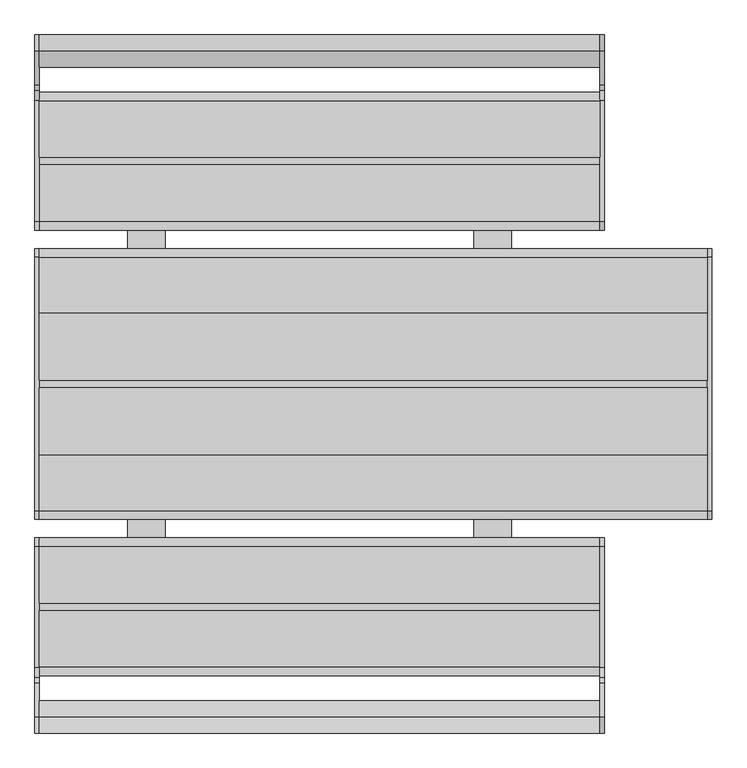
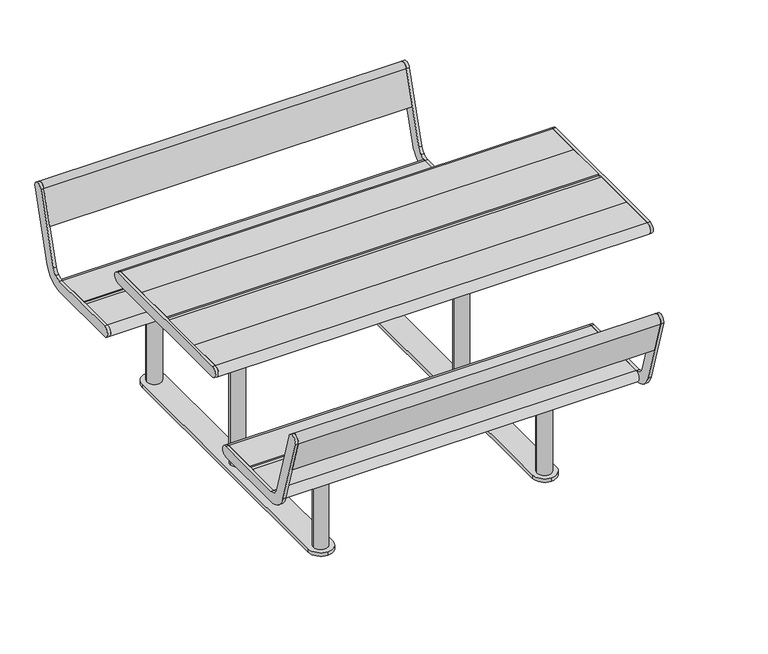
"""IFC4 building model written with IfcOpenShell, lengths in millimetres: furniture geometry."""

from ifc_helpers import new_model, si_unit, point, frame, frame_2d, origin, origin_with_axes, place, context, project, spatial, polyline, circle_curve, trimmed, segment, composite_curve, outline, extrude, source, transform, mapped, element, save


def furniture_09a5e4e3(model_context):
    return source(origin(), model_context, "Body", "SweptSolid", [
        extrude(outline(composite_curve([segment(polyline([(602.0, 449.7), (752.4998424, 449.7)]), True, "CONTINUOUS"), segment(trimmed(circle_curve(frame_2d((752.4998424, 427.2)), 22.5), [point((752.4998424, 449.7))], [point((752.4998424, 404.7))], False, "CARTESIAN"), True, "CONTINUOUS"), segment(polyline([(752.4998424, 404.7), (602.0, 404.7), (602.0, 449.7)]), True, "CONTINUOUS")], self_intersect=False)), frame((-745.0, 0.0, 0.0), z_axis=(1.0, 0.0, 0.0), x_axis=(0.0, 1.0, 0.0)), (0.0, 0.0, 1.0), 1490.0),
        extrude(outline(composite_curve([segment(polyline([(795.4837914, 481.5432734), (883.593709, 769.7378243)]), True, "CONTINUOUS"), segment(trimmed(circle_curve(frame_2d((905.1105656, 763.159461)), 22.4999996), [point((883.593709, 769.7378243))], [point((926.6274222, 756.5810977))], False, "CARTESIAN"), True, "CONTINUOUS"), segment(polyline([(926.6274222, 756.5810977), (838.5175055, 468.3865468)]), True, "CONTINUOUS"), segment(trimmed(circle_curve(frame_2d((752.4500772, 494.7000004)), 90.0000004), [point((838.5175055, 468.3865468))], [point((805.5692669, 422.0477344))], False, "CARTESIAN"), True, "CONTINUOUS"), segment(trimmed(circle_curve(frame_2d((752.4500772, 494.7000004)), 90.0000004), [point((805.5692669, 422.0477344))], [point((752.4500772, 404.7))], False, "CARTESIAN"), True, "CONTINUOUS"), segment(polyline([(752.4500772, 404.7), (431.5000002, 404.7)]), True, "CONTINUOUS"), segment(trimmed(circle_curve(frame_2d((431.5000002, 427.2000002)), 22.5000002), [point((431.5000002, 404.7))], [point((431.5037545, 449.7000001))], False, "CARTESIAN"), True, "CONTINUOUS"), segment(polyline([(431.5037545, 449.7000001), (752.4500772, 449.7000001)]), True, "CONTINUOUS"), segment(trimmed(circle_curve(frame_2d((752.4500772, 494.7000004)), 45.0000003), [point((752.4500772, 449.7000001))], [point((779.0096721, 458.3738673))], True, "CARTESIAN"), True, "CONTINUOUS"), segment(trimmed(circle_curve(frame_2d((752.4500772, 494.7000004)), 45.0000003), [point((779.0096721, 458.3738673))], [point((795.4837914, 481.5432734))], True, "CARTESIAN"), True, "CONTINUOUS")], self_intersect=False)), frame((745.0, 0.0, 0.0), z_axis=(1.0, 0.0, 0.0), x_axis=(0.0, 1.0, 0.0)), (0.0, 0.0, 1.0), 12.0),
        extrude(outline(composite_curve([segment(polyline([(884.0857959, 617.4337085), (841.052082, 630.5904353), (883.5974263, 769.7499847)]), True, "CONTINUOUS"), segment(trimmed(circle_curve(frame_2d((905.1142833, 763.1716212)), 22.5), [point((883.5974263, 769.7499847))], [point((926.6311403, 756.5932578))], False, "CARTESIAN"), True, "CONTINUOUS"), segment(polyline([(926.6311403, 756.5932578), (884.0857959, 617.4337085)]), True, "CONTINUOUS")], self_intersect=False)), frame((-745.0, 0.0, 0.0), z_axis=(1.0, 0.0, 0.0), x_axis=(0.0, 1.0, 0.0)), (0.0, 0.0, 1.0), 1490.0),
        extrude(outline(composite_curve([segment(polyline([(795.4837914, 481.5432734), (883.593709, 769.7378243)]), True, "CONTINUOUS"), segment(trimmed(circle_curve(frame_2d((905.1105656, 763.159461)), 22.4999996), [point((883.593709, 769.7378243))], [point((926.6274222, 756.5810977))], False, "CARTESIAN"), True, "CONTINUOUS"), segment(polyline([(926.6274222, 756.5810977), (838.5175055, 468.3865468)]), True, "CONTINUOUS"), segment(trimmed(circle_curve(frame_2d((752.4500772, 494.7000004)), 90.0000004), [point((838.5175055, 468.3865468))], [point((805.5692669, 422.0477344))], False, "CARTESIAN"), True, "CONTINUOUS"), segment(trimmed(circle_curve(frame_2d((752.4500772, 494.7000004)), 90.0000004), [point((805.5692669, 422.0477344))], [point((752.4500772, 404.7))], False, "CARTESIAN"), True, "CONTINUOUS"), segment(polyline([(752.4500772, 404.7), (431.5000002, 404.7)]), True, "CONTINUOUS"), segment(trimmed(circle_curve(frame_2d((431.5000002, 427.2000002)), 22.5000002), [point((431.5000002, 404.7))], [point((431.5037545, 449.7000001))], False, "CARTESIAN"), True, "CONTINUOUS"), segment(polyline([(431.5037545, 449.7000001), (752.4500772, 449.7000001)]), True, "CONTINUOUS"), segment(trimmed(circle_curve(frame_2d((752.4500772, 494.7000004)), 45.0000003), [point((752.4500772, 449.7000001))], [point((779.0096721, 458.3738673))], True, "CARTESIAN"), True, "CONTINUOUS"), segment(trimmed(circle_curve(frame_2d((752.4500772, 494.7000004)), 45.0000003), [point((779.0096721, 458.3738673))], [point((795.4837914, 481.5432734))], True, "CARTESIAN"), True, "CONTINUOUS")], self_intersect=False)), frame((-757.0, 0.0, 0.0), z_axis=(1.0, 0.0, 0.0), x_axis=(0.0, 1.0, 0.0)), (0.0, 0.0, 1.0), 12.0),
        extrude(outline(composite_curve([segment(trimmed(circle_curve(frame_2d((-752.4500772, 494.7000004)), 45.0000003), [point((-795.4837914, 481.5432734))], [point((-779.0096721, 458.3738673))], True, "CARTESIAN"), True, "CONTINUOUS"), segment(trimmed(circle_curve(frame_2d((-752.4500772, 494.7000004)), 45.0000003), [point((-779.0096721, 458.3738673))], [point((-752.4500772, 449.7000001))], True, "CARTESIAN"), True, "CONTINUOUS"), segment(polyline([(-752.4500772, 449.7000001), (-431.5037545, 449.7000001)]), True, "CONTINUOUS"), segment(trimmed(circle_curve(frame_2d((-431.5000002, 427.2000002)), 22.5000002), [point((-431.5037545, 449.7000001))], [point((-431.5000002, 404.7))], False, "CARTESIAN"), True, "CONTINUOUS"), segment(polyline([(-431.5000002, 404.7), (-752.4500772, 404.7)]), True, "CONTINUOUS"), segment(trimmed(circle_curve(frame_2d((-752.4500772, 494.7000004)), 90.0000004), [point((-752.4500772, 404.7))], [point((-805.5692669, 422.0477344))], False, "CARTESIAN"), True, "CONTINUOUS"), segment(trimmed(circle_curve(frame_2d((-752.4500772, 494.7000004)), 90.0000004), [point((-805.5692669, 422.0477344))], [point((-838.5175055, 468.3865468))], False, "CARTESIAN"), True, "CONTINUOUS"), segment(polyline([(-838.5175055, 468.3865468), (-926.6274222, 756.5810977)]), True, "CONTINUOUS"), segment(trimmed(circle_curve(frame_2d((-905.1105656, 763.159461)), 22.4999996), [point((-926.6274222, 756.5810977))], [point((-883.593709, 769.7378243))], False, "CARTESIAN"), True, "CONTINUOUS"), segment(polyline([(-883.593709, 769.7378243), (-795.4837914, 481.5432734)]), True, "CONTINUOUS")], self_intersect=False)), frame((745.0, 0.0, 0.0), z_axis=(1.0, 0.0, 0.0), x_axis=(0.0, 1.0, 0.0)), (0.0, 0.0, 1.0), 12.0),
        extrude(outline(composite_curve([segment(polyline([(-884.0857959, 617.4337085), (-926.6311403, 756.5932578)]), True, "CONTINUOUS"), segment(trimmed(circle_curve(frame_2d((-905.1142833, 763.1716212)), 22.5), [point((-926.6311403, 756.5932578))], [point((-883.5974263, 769.7499847))], False, "CARTESIAN"), True, "CONTINUOUS"), segment(polyline([(-883.5974263, 769.7499847), (-841.052082, 630.5904353), (-884.0857959, 617.4337085)]), True, "CONTINUOUS")], self_intersect=False)), frame((-745.0, 0.0, 0.0), z_axis=(1.0, 0.0, 0.0), x_axis=(0.0, 1.0, 0.0)), (0.0, 0.0, 1.0), 1490.0),
        extrude(outline(composite_curve([segment(polyline([(-582.0, 449.7), (-431.5001576, 449.7)]), True, "CONTINUOUS"), segment(trimmed(circle_curve(frame_2d((-431.5001576, 427.2)), 22.5), [point((-431.5001576, 449.7))], [point((-431.5001576, 404.7))], False, "CARTESIAN"), True, "CONTINUOUS"), segment(polyline([(-431.5001576, 404.7), (-582.0, 404.7), (-582.0, 449.7)]), True, "CONTINUOUS")], self_intersect=False)), frame((-745.0, 0.0, 0.0), z_axis=(1.0, 0.0, 0.0), x_axis=(0.0, 1.0, 0.0)), (0.0, 0.0, 1.0), 1490.0),
        extrude(outline(composite_curve([segment(polyline([(-602.0, 449.7), (-602.0, 404.7), (-752.4998424, 404.7)]), True, "CONTINUOUS"), segment(trimmed(circle_curve(frame_2d((-752.4998424, 427.2)), 22.5), [point((-752.4998424, 404.7))], [point((-752.4998424, 449.7))], False, "CARTESIAN"), True, "CONTINUOUS"), segment(polyline([(-752.4998424, 449.7), (-602.0, 449.7)]), True, "CONTINUOUS")], self_intersect=False)), frame((-745.0, 0.0, 0.0), z_axis=(1.0, 0.0, 0.0), x_axis=(0.0, 1.0, 0.0)), (0.0, 0.0, 1.0), 1490.0),
        extrude(outline(polyline([(745.0, -582.0), (745.0, -602.0), (-745.0, -602.0), (-745.0, -582.0), (745.0, -582.0)])), frame((0.0, 0.0, 404.7), z_axis=(0.0, 0.0, 1.0), x_axis=(1.0, 0.0, 0.0)), (0.0, 0.0, 1.0), 40.0),
        extrude(outline(composite_curve([segment(trimmed(circle_curve(frame_2d((-752.4500772, 494.7000004)), 45.0000003), [point((-795.4837914, 481.5432734))], [point((-779.0096721, 458.3738673))], True, "CARTESIAN"), True, "CONTINUOUS"), segment(trimmed(circle_curve(frame_2d((-752.4500772, 494.7000004)), 45.0000003), [point((-779.0096721, 458.3738673))], [point((-752.4500772, 449.7000001))], True, "CARTESIAN"), True, "CONTINUOUS"), segment(polyline([(-752.4500772, 449.7000001), (-431.5037545, 449.7000001)]), True, "CONTINUOUS"), segment(trimmed(circle_curve(frame_2d((-431.5000002, 427.2000002)), 22.5000002), [point((-431.5037545, 449.7000001))], [point((-431.5000002, 404.7))], False, "CARTESIAN"), True, "CONTINUOUS"), segment(polyline([(-431.5000002, 404.7), (-752.4500772, 404.7)]), True, "CONTINUOUS"), segment(trimmed(circle_curve(frame_2d((-752.4500772, 494.7000004)), 90.0000004), [point((-752.4500772, 404.7))], [point((-805.5692669, 422.0477344))], False, "CARTESIAN"), True, "CONTINUOUS"), segment(trimmed(circle_curve(frame_2d((-752.4500772, 494.7000004)), 90.0000004), [point((-805.5692669, 422.0477344))], [point((-838.5175055, 468.3865468))], False, "CARTESIAN"), True, "CONTINUOUS"), segment(polyline([(-838.5175055, 468.3865468), (-926.6274222, 756.5810977)]), True, "CONTINUOUS"), segment(trimmed(circle_curve(frame_2d((-905.1105656, 763.159461)), 22.4999996), [point((-926.6274222, 756.5810977))], [point((-883.593709, 769.7378243))], False, "CARTESIAN"), True, "CONTINUOUS"), segment(polyline([(-883.593709, 769.7378243), (-795.4837914, 481.5432734)]), True, "CONTINUOUS")], self_intersect=False)), frame((-757.0, 0.0, 0.0), z_axis=(1.0, 0.0, 0.0), x_axis=(0.0, 1.0, 0.0)), (0.0, 0.0, 1.0), 12.0),
        extrude(outline(composite_curve([segment(polyline([(582.0, 449.7), (582.0, 404.7), (431.5001576, 404.7)]), True, "CONTINUOUS"), segment(trimmed(circle_curve(frame_2d((431.5001576, 427.2)), 22.5), [point((431.5001576, 404.7))], [point((431.5001576, 449.7))], False, "CARTESIAN"), True, "CONTINUOUS"), segment(polyline([(431.5001576, 449.7), (582.0, 449.7)]), True, "CONTINUOUS")], self_intersect=False)), frame((-745.0, 0.0, 0.0), z_axis=(1.0, 0.0, 0.0), x_axis=(0.0, 1.0, 0.0)), (0.0, 0.0, 1.0), 1490.0),
        extrude(outline(polyline([(745.0, 602.0), (745.0, 582.0), (-745.0, 582.0), (-745.0, 602.0), (745.0, 602.0)])), frame((0.0, 0.0, 404.7), z_axis=(0.0, 0.0, 1.0), x_axis=(1.0, 0.0, 0.0)), (0.0, 0.0, 1.0), 40.0),
        extrude(outline(polyline([(1030.5, -10.0), (1030.5, -187.75), (-745.0, -187.75), (-745.0, -10.0), (1030.5, -10.0)])), frame((0.0, 0.0, 694.7), z_axis=(0.0, 0.0, 1.0), x_axis=(1.0, 0.0, 0.0)), (0.0, 0.0, 1.0), 45.0),
        extrude(outline(polyline([(1030.5, 187.75), (1030.5, 10.0), (-745.0, 10.0), (-745.0, 187.75), (1030.5, 187.75)])), frame((0.0, 0.0, 694.7), z_axis=(0.0, 0.0, 1.0), x_axis=(1.0, 0.0, 0.0)), (0.0, 0.0, 1.0), 45.0),
        extrude(outline(composite_curve([segment(polyline([(187.75, 739.7), (336.4998635, 739.7)]), True, "CONTINUOUS"), segment(trimmed(circle_curve(frame_2d((336.4998635, 717.2)), 22.5), [point((336.4998635, 739.7))], [point((336.4998635, 694.7))], False, "CARTESIAN"), True, "CONTINUOUS"), segment(polyline([(336.4998635, 694.7), (187.75, 694.7), (187.75, 739.7)]), True, "CONTINUOUS")], self_intersect=False)), frame((-745.0, 0.0, 0.0), z_axis=(1.0, 0.0, 0.0), x_axis=(0.0, 1.0, 0.0)), (0.0, 0.0, 1.0), 1775.5),
        extrude(outline(composite_curve([segment(polyline([(-187.75, 739.7), (-187.75, 694.7), (-336.4998635, 694.7)]), True, "CONTINUOUS"), segment(trimmed(circle_curve(frame_2d((-336.4998635, 717.2)), 22.5), [point((-336.4998635, 694.7))], [point((-336.4998635, 739.7))], False, "CARTESIAN"), True, "CONTINUOUS"), segment(polyline([(-336.4998635, 739.7), (-187.75, 739.7)]), True, "CONTINUOUS")], self_intersect=False)), frame((-745.0, 0.0, 0.0), z_axis=(1.0, 0.0, 0.0), x_axis=(0.0, 1.0, 0.0)), (0.0, 0.0, 1.0), 1775.5),
        extrude(outline(polyline([(1030.5, 10.0), (1030.5, -10.0), (-745.0, -10.0), (-745.0, 10.0), (1030.5, 10.0)])), frame((0.0, 0.0, 694.7), z_axis=(0.0, 0.0, 1.0), x_axis=(1.0, 0.0, 0.0)), (0.0, 0.0, 1.0), 40.0),
        extrude(outline(composite_curve([segment(trimmed(circle_curve(frame_2d((336.5, 717.2)), 22.5), [point((336.5, 739.7))], [point((336.5, 694.7))], False, "CARTESIAN"), True, "CONTINUOUS"), segment(polyline([(336.5, 694.7), (-336.5, 694.7)]), True, "CONTINUOUS"), segment(trimmed(circle_curve(frame_2d((-336.5, 717.2)), 22.5), [point((-336.5, 694.7))], [point((-336.5, 739.7))], False, "CARTESIAN"), True, "CONTINUOUS"), segment(polyline([(-336.5, 739.7), (336.5, 739.7)]), True, "CONTINUOUS")], self_intersect=False)), frame((1030.5, 0.0, 0.0), z_axis=(1.0, 0.0, 0.0), x_axis=(0.0, 1.0, 0.0)), (0.0, 0.0, 1.0), 12.0),
        extrude(outline(composite_curve([segment(trimmed(circle_curve(frame_2d((336.5, 717.2)), 22.5), [point((336.5, 739.7))], [point((336.5, 694.7))], False, "CARTESIAN"), True, "CONTINUOUS"), segment(polyline([(336.5, 694.7), (-336.5, 694.7)]), True, "CONTINUOUS"), segment(trimmed(circle_curve(frame_2d((-336.5, 717.2)), 22.5), [point((-336.5, 694.7))], [point((-336.5, 739.7))], False, "CARTESIAN"), True, "CONTINUOUS"), segment(polyline([(-336.5, 739.7), (336.5, 739.7)]), True, "CONTINUOUS")], self_intersect=False)), frame((-757.0, 0.0, 0.0), z_axis=(1.0, 0.0, 0.0), x_axis=(0.0, 1.0, 0.0)), (0.0, 0.0, 1.0), 12.0),
        extrude(outline(composite_curve([segment(trimmed(circle_curve(frame_2d((505.0, 120.0)), 5.0), [point((505.0, 125.0))], [point((510.0, 120.0))], False, "CARTESIAN"), True, "CONTINUOUS"), segment(polyline([(510.0, 120.0), (510.0, -120.0)]), True, "CONTINUOUS"), segment(trimmed(circle_curve(frame_2d((505.0, -120.0)), 5.0), [point((510.0, -120.0))], [point((505.0, -125.0))], False, "CARTESIAN"), True, "CONTINUOUS"), segment(polyline([(505.0, -125.0), (415.0, -125.0)]), True, "CONTINUOUS"), segment(trimmed(circle_curve(frame_2d((415.0, -120.0)), 5.0), [point((415.0, -125.0))], [point((410.0, -120.0))], False, "CARTESIAN"), True, "CONTINUOUS"), segment(polyline([(410.0, -120.0), (410.0, 120.0)]), True, "CONTINUOUS"), segment(trimmed(circle_curve(frame_2d((415.0, 120.0)), 5.0), [point((410.0, 120.0))], [point((415.0, 125.0))], False, "CARTESIAN"), True, "CONTINUOUS"), segment(polyline([(415.0, 125.0), (505.0, 125.0)]), True, "CONTINUOUS")], self_intersect=False)), frame((0.0, 0.0, 679.0), z_axis=(0.0, 0.0, 1.0), x_axis=(1.0, 0.0, 0.0)), (0.0, 0.0, 1.0), 7.85),
        extrude(outline(composite_curve([segment(trimmed(circle_curve(frame_2d((505.0, 295.0)), 5.0), [point((505.0, 300.0))], [point((510.0, 295.0))], False, "CARTESIAN"), True, "CONTINUOUS"), segment(polyline([(510.0, 295.0), (510.0, -295.0)]), True, "CONTINUOUS"), segment(trimmed(circle_curve(frame_2d((505.0, -295.0)), 5.0), [point((510.0, -295.0))], [point((505.0, -300.0))], False, "CARTESIAN"), True, "CONTINUOUS"), segment(polyline([(505.0, -300.0), (415.0, -300.0)]), True, "CONTINUOUS"), segment(trimmed(circle_curve(frame_2d((415.0, -295.0)), 5.0), [point((415.0, -300.0))], [point((410.0, -295.0))], False, "CARTESIAN"), True, "CONTINUOUS"), segment(polyline([(410.0, -295.0), (410.0, 295.0)]), True, "CONTINUOUS"), segment(trimmed(circle_curve(frame_2d((415.0, 295.0)), 5.0), [point((410.0, 295.0))], [point((415.0, 300.0))], False, "CARTESIAN"), True, "CONTINUOUS"), segment(polyline([(415.0, 300.0), (505.0, 300.0)]), True, "CONTINUOUS")], self_intersect=False)), frame((0.0, 0.0, 686.85), z_axis=(0.0, 0.0, 1.0), x_axis=(1.0, 0.0, 0.0)), (0.0, 0.0, 1.0), 7.85),
        extrude(outline(composite_curve([segment(polyline([(-505.0, 125.0), (-415.0, 125.0)]), True, "CONTINUOUS"), segment(trimmed(circle_curve(frame_2d((-415.0, 120.0)), 5.0), [point((-415.0, 125.0))], [point((-410.0, 120.0))], False, "CARTESIAN"), True, "CONTINUOUS"), segment(polyline([(-410.0, 120.0), (-410.0, -120.0)]), True, "CONTINUOUS"), segment(trimmed(circle_curve(frame_2d((-415.0, -120.0)), 5.0), [point((-410.0, -120.0))], [point((-415.0, -125.0))], False, "CARTESIAN"), True, "CONTINUOUS"), segment(polyline([(-415.0, -125.0), (-505.0, -125.0)]), True, "CONTINUOUS"), segment(trimmed(circle_curve(frame_2d((-505.0, -120.0)), 5.0), [point((-505.0, -125.0))], [point((-510.0, -120.0))], False, "CARTESIAN"), True, "CONTINUOUS"), segment(polyline([(-510.0, -120.0), (-510.0, 120.0)]), True, "CONTINUOUS"), segment(trimmed(circle_curve(frame_2d((-505.0, 120.0)), 5.0), [point((-510.0, 120.0))], [point((-505.0, 125.0))], False, "CARTESIAN"), True, "CONTINUOUS")], self_intersect=False)), frame((0.0, 0.0, 679.0), z_axis=(0.0, 0.0, 1.0), x_axis=(1.0, 0.0, 0.0)), (0.0, 0.0, 1.0), 7.85),
        extrude(outline(composite_curve([segment(polyline([(-505.0, 300.0), (-415.0, 300.0)]), True, "CONTINUOUS"), segment(trimmed(circle_curve(frame_2d((-415.0, 295.0)), 5.0), [point((-415.0, 300.0))], [point((-410.0, 295.0))], False, "CARTESIAN"), True, "CONTINUOUS"), segment(polyline([(-410.0, 295.0), (-410.0, -295.0)]), True, "CONTINUOUS"), segment(trimmed(circle_curve(frame_2d((-415.0, -295.0)), 5.0), [point((-410.0, -295.0))], [point((-415.0, -300.0))], False, "CARTESIAN"), True, "CONTINUOUS"), segment(polyline([(-415.0, -300.0), (-505.0, -300.0)]), True, "CONTINUOUS"), segment(trimmed(circle_curve(frame_2d((-505.0, -295.0)), 5.0), [point((-505.0, -300.0))], [point((-510.0, -295.0))], False, "CARTESIAN"), True, "CONTINUOUS"), segment(polyline([(-510.0, -295.0), (-510.0, 295.0)]), True, "CONTINUOUS"), segment(trimmed(circle_curve(frame_2d((-505.0, 295.0)), 5.0), [point((-510.0, 295.0))], [point((-505.0, 300.0))], False, "CARTESIAN"), True, "CONTINUOUS")], self_intersect=False)), frame((0.0, 0.0, 686.85), z_axis=(0.0, 0.0, 1.0), x_axis=(1.0, 0.0, 0.0)), (0.0, 0.0, 1.0), 7.85),
        extrude(outline(composite_curve([segment(polyline([(505.0, -717.0), (415.0, -717.0)]), True, "CONTINUOUS"), segment(trimmed(circle_curve(frame_2d((415.0, -712.0)), 5.0), [point((415.0, -717.0))], [point((410.0, -712.0))], False, "CARTESIAN"), True, "CONTINUOUS"), segment(polyline([(410.0, -712.0), (410.0, -472.0)]), True, "CONTINUOUS"), segment(trimmed(circle_curve(frame_2d((415.0, -472.0)), 5.0), [point((410.0, -472.0))], [point((415.0, -467.0))], False, "CARTESIAN"), True, "CONTINUOUS"), segment(polyline([(415.0, -467.0), (505.0, -467.0)]), True, "CONTINUOUS"), segment(trimmed(circle_curve(frame_2d((505.0, -472.0)), 5.0), [point((505.0, -467.0))], [point((510.0, -472.0))], False, "CARTESIAN"), True, "CONTINUOUS"), segment(polyline([(510.0, -472.0), (510.0, -712.0)]), True, "CONTINUOUS"), segment(trimmed(circle_curve(frame_2d((505.0, -712.0)), 5.0), [point((510.0, -712.0))], [point((505.0, -717.0))], False, "CARTESIAN"), True, "CONTINUOUS")], self_intersect=False)), frame((0.0, 0.0, 389.0), z_axis=(0.0, 0.0, 1.0), x_axis=(1.0, 0.0, 0.0)), (0.0, 0.0, 1.0), 15.7),
        extrude(outline(composite_curve([segment(trimmed(circle_curve(frame_2d((505.0, 712.0)), 5.0), [point((505.0, 717.0))], [point((510.0, 712.0))], False, "CARTESIAN"), True, "CONTINUOUS"), segment(polyline([(510.0, 712.0), (510.0, 472.0)]), True, "CONTINUOUS"), segment(trimmed(circle_curve(frame_2d((505.0, 472.0)), 5.0), [point((510.0, 472.0))], [point((505.0, 467.0))], False, "CARTESIAN"), True, "CONTINUOUS"), segment(polyline([(505.0, 467.0), (415.0, 467.0)]), True, "CONTINUOUS"), segment(trimmed(circle_curve(frame_2d((415.0, 472.0)), 5.0), [point((415.0, 467.0))], [point((410.0, 472.0))], False, "CARTESIAN"), True, "CONTINUOUS"), segment(polyline([(410.0, 472.0), (410.0, 712.0)]), True, "CONTINUOUS"), segment(trimmed(circle_curve(frame_2d((415.0, 712.0)), 5.0), [point((410.0, 712.0))], [point((415.0, 717.0))], False, "CARTESIAN"), True, "CONTINUOUS"), segment(polyline([(415.0, 717.0), (505.0, 717.0)]), True, "CONTINUOUS")], self_intersect=False)), frame((0.0, 0.0, 389.0), z_axis=(0.0, 0.0, 1.0), x_axis=(1.0, 0.0, 0.0)), (0.0, 0.0, 1.0), 15.7),
        extrude(outline(composite_curve([segment(trimmed(circle_curve(frame_2d((-505.0, -712.0)), 5.0), [point((-505.0, -717.0))], [point((-510.0, -712.0))], False, "CARTESIAN"), True, "CONTINUOUS"), segment(polyline([(-510.0, -712.0), (-510.0, -472.0)]), True, "CONTINUOUS"), segment(trimmed(circle_curve(frame_2d((-505.0, -472.0)), 5.0), [point((-510.0, -472.0))], [point((-505.0, -467.0))], False, "CARTESIAN"), True, "CONTINUOUS"), segment(polyline([(-505.0, -467.0), (-415.0, -467.0)]), True, "CONTINUOUS"), segment(trimmed(circle_curve(frame_2d((-415.0, -472.0)), 5.0), [point((-415.0, -467.0))], [point((-410.0, -472.0))], False, "CARTESIAN"), True, "CONTINUOUS"), segment(polyline([(-410.0, -472.0), (-410.0, -712.0)]), True, "CONTINUOUS"), segment(trimmed(circle_curve(frame_2d((-415.0, -712.0)), 5.0), [point((-410.0, -712.0))], [point((-415.0, -717.0))], False, "CARTESIAN"), True, "CONTINUOUS"), segment(polyline([(-415.0, -717.0), (-505.0, -717.0)]), True, "CONTINUOUS")], self_intersect=False)), frame((0.0, 0.0, 389.0), z_axis=(0.0, 0.0, 1.0), x_axis=(1.0, 0.0, 0.0)), (0.0, 0.0, 1.0), 15.7),
        extrude(outline(composite_curve([segment(polyline([(-505.0, 717.0), (-415.0, 717.0)]), True, "CONTINUOUS"), segment(trimmed(circle_curve(frame_2d((-415.0, 712.0)), 5.0), [point((-415.0, 717.0))], [point((-410.0, 712.0))], False, "CARTESIAN"), True, "CONTINUOUS"), segment(polyline([(-410.0, 712.0), (-410.0, 472.0)]), True, "CONTINUOUS"), segment(trimmed(circle_curve(frame_2d((-415.0, 472.0)), 5.0), [point((-410.0, 472.0))], [point((-415.0, 467.0))], False, "CARTESIAN"), True, "CONTINUOUS"), segment(polyline([(-415.0, 467.0), (-505.0, 467.0)]), True, "CONTINUOUS"), segment(trimmed(circle_curve(frame_2d((-505.0, 472.0)), 5.0), [point((-505.0, 467.0))], [point((-510.0, 472.0))], False, "CARTESIAN"), True, "CONTINUOUS"), segment(polyline([(-510.0, 472.0), (-510.0, 712.0)]), True, "CONTINUOUS"), segment(trimmed(circle_curve(frame_2d((-505.0, 712.0)), 5.0), [point((-510.0, 712.0))], [point((-505.0, 717.0))], False, "CARTESIAN"), True, "CONTINUOUS")], self_intersect=False)), frame((0.0, 0.0, 389.0), z_axis=(0.0, 0.0, 1.0), x_axis=(1.0, 0.0, 0.0)), (0.0, 0.0, 1.0), 15.7),
        extrude(outline(composite_curve([segment(trimmed(circle_curve(frame_2d((460.0, 0.0)), 30.0), [point((490.0, 0.0))], [point((430.0, 0.0))], False, "CARTESIAN"), True, "CONTINUOUS"), segment(trimmed(circle_curve(frame_2d((460.0, 0.0)), 30.0), [point((430.0, 0.0))], [point((490.0, 0.0))], False, "CARTESIAN"), True, "CONTINUOUS")], self_intersect=False)), frame((0.0, 0.0, 15.0), z_axis=(0.0, 0.0, 1.0), x_axis=(1.0, 0.0, 0.0)), (0.0, 0.0, 1.0), 664.0),
        extrude(outline(composite_curve([segment(trimmed(circle_curve(frame_2d((-460.0, 0.0)), 30.0), [point((-490.0, 0.0))], [point((-430.0, 0.0))], False, "CARTESIAN"), True, "CONTINUOUS"), segment(trimmed(circle_curve(frame_2d((-460.0, 0.0)), 30.0), [point((-430.0, 0.0))], [point((-490.0, 0.0))], False, "CARTESIAN"), True, "CONTINUOUS")], self_intersect=False)), frame((0.0, 0.0, 15.0), z_axis=(0.0, 0.0, 1.0), x_axis=(1.0, 0.0, 0.0)), (0.0, 0.0, 1.0), 664.0),
        extrude(outline(composite_curve([segment(trimmed(circle_curve(frame_2d((460.0, -592.0)), 30.0), [point((490.0, -592.0))], [point((430.0, -592.0))], False, "CARTESIAN"), True, "CONTINUOUS"), segment(trimmed(circle_curve(frame_2d((460.0, -592.0)), 30.0), [point((430.0, -592.0))], [point((490.0, -592.0))], False, "CARTESIAN"), True, "CONTINUOUS")], self_intersect=False)), frame((0.0, 0.0, 15.0), z_axis=(0.0, 0.0, 1.0), x_axis=(1.0, 0.0, 0.0)), (0.0, 0.0, 1.0), 374.0),
        extrude(outline(composite_curve([segment(trimmed(circle_curve(frame_2d((460.0, 592.0)), 30.0), [point((490.0, 592.0))], [point((430.0, 592.0))], False, "CARTESIAN"), True, "CONTINUOUS"), segment(trimmed(circle_curve(frame_2d((460.0, 592.0)), 30.0), [point((430.0, 592.0))], [point((490.0, 592.0))], False, "CARTESIAN"), True, "CONTINUOUS")], self_intersect=False)), frame((0.0, 0.0, 15.0), z_axis=(0.0, 0.0, 1.0), x_axis=(1.0, 0.0, 0.0)), (0.0, 0.0, 1.0), 374.0),
        extrude(outline(composite_curve([segment(trimmed(circle_curve(frame_2d((-460.0, -592.0)), 30.0), [point((-490.0, -592.0))], [point((-430.0, -592.0))], False, "CARTESIAN"), True, "CONTINUOUS"), segment(trimmed(circle_curve(frame_2d((-460.0, -592.0)), 30.0), [point((-430.0, -592.0))], [point((-490.0, -592.0))], False, "CARTESIAN"), True, "CONTINUOUS")], self_intersect=False)), frame((0.0, 0.0, 15.0), z_axis=(0.0, 0.0, 1.0), x_axis=(1.0, 0.0, 0.0)), (0.0, 0.0, 1.0), 374.0),
        extrude(outline(composite_curve([segment(trimmed(circle_curve(frame_2d((-460.0, 592.0)), 30.0), [point((-490.0, 592.0))], [point((-430.0, 592.0))], False, "CARTESIAN"), True, "CONTINUOUS"), segment(trimmed(circle_curve(frame_2d((-460.0, 592.0)), 30.0), [point((-430.0, 592.0))], [point((-490.0, 592.0))], False, "CARTESIAN"), True, "CONTINUOUS")], self_intersect=False)), frame((0.0, 0.0, 15.0), z_axis=(0.0, 0.0, 1.0), x_axis=(1.0, 0.0, 0.0)), (0.0, 0.0, 1.0), 374.0),
        extrude(outline(composite_curve([segment(polyline([(-510.0, -592.0), (-510.0, 592.0)]), True, "CONTINUOUS"), segment(trimmed(circle_curve(frame_2d((-460.0, 592.0)), 50.0), [point((-510.0, 592.0))], [point((-410.0, 592.0))], False, "CARTESIAN"), True, "CONTINUOUS"), segment(polyline([(-410.0, 592.0), (-410.0, -592.0)]), True, "CONTINUOUS"), segment(trimmed(circle_curve(frame_2d((-460.0, -592.0)), 50.0), [point((-410.0, -592.0))], [point((-460.0, -642.0))], False, "CARTESIAN"), True, "CONTINUOUS"), segment(trimmed(circle_curve(frame_2d((-460.0, -592.0)), 50.0), [point((-460.0, -642.0))], [point((-510.0, -592.0))], False, "CARTESIAN"), True, "CONTINUOUS")], self_intersect=False)), origin_with_axes(), (0.0, 0.0, 1.0), 15.0),
        extrude(outline(composite_curve([segment(trimmed(circle_curve(frame_2d((460.0, -592.0)), 50.0), [point((510.0, -592.0))], [point((460.0, -642.0))], False, "CARTESIAN"), True, "CONTINUOUS"), segment(trimmed(circle_curve(frame_2d((460.0, -592.0)), 50.0), [point((460.0, -642.0))], [point((410.0, -592.0))], False, "CARTESIAN"), True, "CONTINUOUS"), segment(polyline([(410.0, -592.0), (410.0, 592.0)]), True, "CONTINUOUS"), segment(trimmed(circle_curve(frame_2d((460.0, 592.0)), 50.0), [point((410.0, 592.0))], [point((510.0, 592.0))], False, "CARTESIAN"), True, "CONTINUOUS"), segment(polyline([(510.0, 592.0), (510.0, -592.0)]), True, "CONTINUOUS")], self_intersect=False)), origin_with_axes(), (0.0, 0.0, 1.0), 15.0),
    ])


if __name__ == "__main__":
    model = new_model("IFC4")
    model_context = context("Model", 3, world=origin())
    ifc_project = project(units=[si_unit("LENGTHUNIT", "METRE", prefix="MILLI")], contexts=[model_context])
    site = spatial("IfcSite", under=ifc_project)
    building = spatial("IfcBuilding", under=site)
    placement = place(None, origin())
    furniture_shape = furniture_09a5e4e3(model_context)
    element("IfcFurniture", 1, at=placement, inside=building, context=model_context, shape_type="MappedRepresentation", body=[
        mapped(furniture_shape, transform((0.0, 0.0, 0.0), x_axis=(1.0, 0.0, 0.0), y_axis=(0.0, 1.0, 0.0), z_axis=(0.0, 0.0, 1.0))),
    ])
    save(model, "model.ifc")
